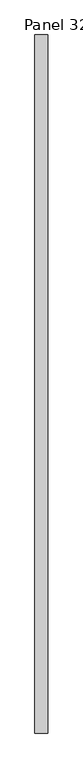
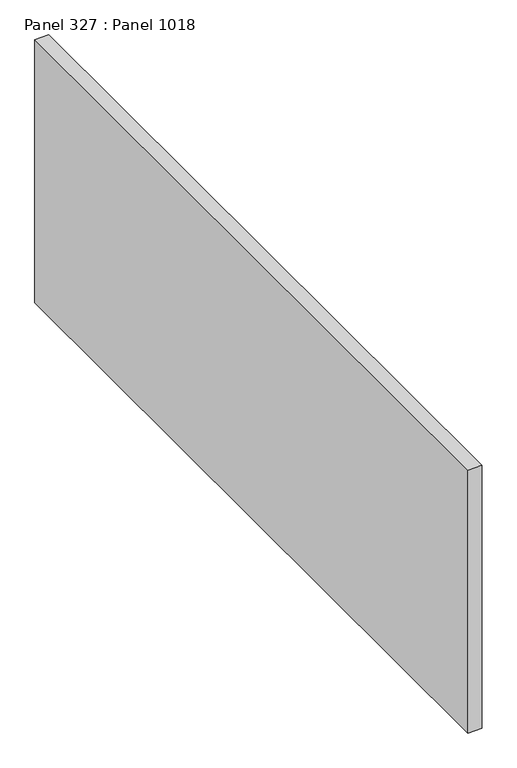
"""IFC4 building model written with IfcOpenShell, lengths in millimetres: proxy geometry, Panel 327 : Panel 1018."""

from ifc_helpers import new_model, si_unit, frame, origin, place, context, project, spatial, polyline, outline, extrude, source, transform, mapped, element, save


def panel_327_panel_1018_bb6d61b3(model_context):
    return source(origin(), model_context, "Body", "SweptSolid", [
        extrude(outline(polyline([(39817.4759695, 333205.7854607), (39817.4758725, 330505.7854597), (39767.4758642, 330505.7854605), (39767.4758796, 333205.7854603), (39817.4759695, 333205.7854607)])), frame((0.0, 0.0, 34575.0), z_axis=(0.0, 0.0, 1.0), x_axis=(1.0, 0.0, 0.0)), (0.0, 0.0, 1.0), 1000.0),
    ])


if __name__ == "__main__":
    model = new_model("IFC4")
    model_context = context("Model", 3, world=origin())
    ifc_project = project(units=[si_unit("LENGTHUNIT", "METRE", prefix="MILLI")], contexts=[model_context])
    site = spatial("IfcSite", under=ifc_project)
    building = spatial("IfcBuilding", under=site)
    placement = place(None, origin())
    panel_327_panel_1018_shape = panel_327_panel_1018_bb6d61b3(model_context)
    element("IfcBuildingElementProxy", 1, Name="Panel 327 : Panel 1018", ObjectType="Panel 327 : Panel 1018", at=placement, inside=building, context=model_context, shape_type="MappedRepresentation", body=[
        mapped(panel_327_panel_1018_shape, transform((0.0, 0.0, 0.0), x_axis=(1.0, 0.0, 0.0), y_axis=(0.0, 1.0, 0.0), z_axis=(0.0, 0.0, 1.0))),
    ])
    save(model, "model.ifc")
